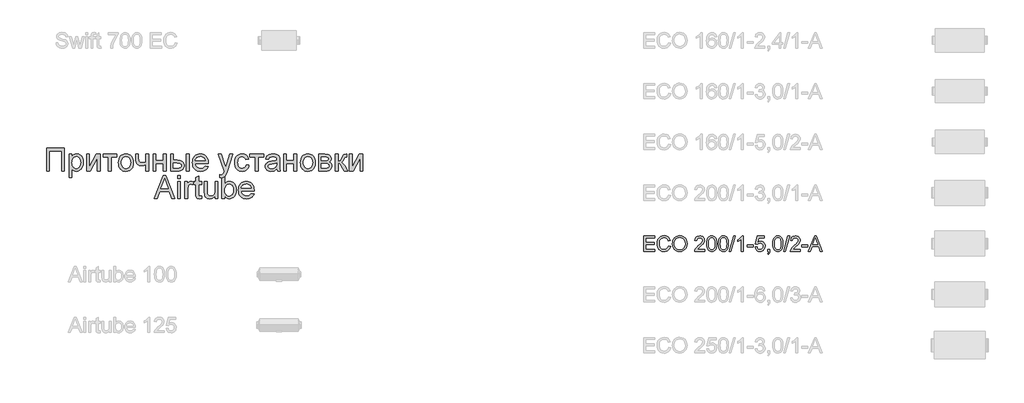
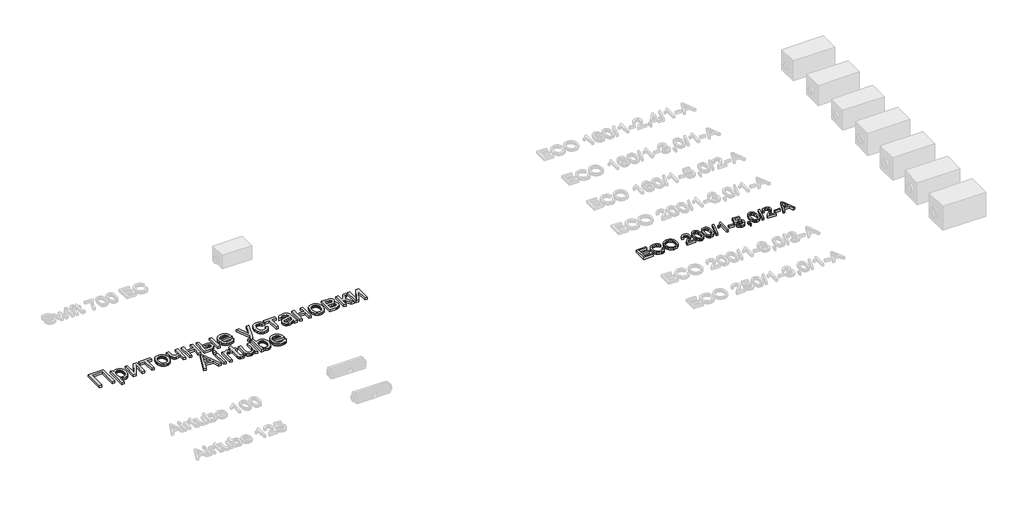
# One storey, part 32 of 74: 2 proxies.
"""IFC4 building model written with IfcOpenShell, lengths in millimetres."""

from ifc_helpers import new_model, si_unit, origin, origin_with_axes, place, context, project, spatial, polyline, outline, extrude, element, save

model = new_model("IFC4")

# Units and contexts
model_context = context("Model", 3, world=origin())
ifc_project = project(units=[si_unit("LENGTHUNIT", "METRE", prefix="MILLI")], contexts=[model_context])

# Site, building, storey
site = spatial("IfcSite", under=ifc_project)
building = spatial("IfcBuilding", under=site)
storey = spatial("IfcBuildingStorey", under=building, Elevation=0.0)

# Proxies
placement = place(None, origin())
element("IfcBuildingElementProxy", 1, Name="Generic Models", at=placement, inside=storey, context=model_context, shape_type="SweptSolid", body=[
    extrude(outline(polyline([(11765.719536, -8906.2904473), (11765.719536, -8604.9215169), (11982.3284547, -8604.9215169), (11982.3284547, -8642.5926332), (11803.3906523, -8642.5926332), (11803.3906523, -8732.0615344), (11972.9106757, -8732.0615344), (11972.9106757, -8769.7326507), (11803.3906523, -8769.7326507), (11803.3906523, -8868.619331), (11987.0373443, -8868.619331), (11987.0373443, -8906.2904473), (11765.719536, -8906.2904473)])), origin_with_axes(), (0.0, 0.0, 1.0), 50.0),
    extrude(outline(polyline([(12255.444048, -8799.1632103), (12293.1151643, -8808.875295), (12285.6609553, -8832.3024803), (12275.73274, -8852.7728141), (12263.3305182, -8870.2862963), (12248.4542901, -8884.842927), (12231.4397478, -8896.2863563), (12212.6225837, -8904.4602344), (12192.0027979, -8909.3645613), (12169.5803903, -8910.9993369), (12125.8852063, -8906.051324), (12091.1847371, -8891.2072855), (12064.5868689, -8866.9822562), (12045.1994877, -8833.8912707), (12033.3628845, -8794.9877497), (12029.4173501, -8753.3251137), (12033.8779193, -8709.3816094), (12047.2596269, -8671.4345816), (12068.8634971, -8640.6888439), (12097.990554, -8618.3492097), (12132.5346734, -8604.7467729), (12170.3897307, -8600.2126274), (12211.6936817, -8606.0803452), (12229.6624179, -8613.4149925), (12245.8423279, -8623.6834986), (12259.9666972, -8636.6145508), (12271.7688115, -8651.9368359), (12288.4062747, -8689.755105), (12250.7351584, -8698.7314257), (12237.6753476, -8671.2598377), (12219.8330708, -8652.4150825), (12196.9875989, -8641.5165784), (12168.9182027, -8637.8837437), (12136.5629812, -8641.9120515), (12109.9835071, -8653.996975), (12089.8143767, -8672.8693214), (12076.6901865, -8697.2598977), (12069.4888964, -8724.8326532), (12067.0884664, -8753.2515373), (12069.9303548, -8788.0531741), (12078.4560201, -8818.1459213), (12092.9873589, -8842.3801477), (12113.846268, -8859.6062222), (12138.8530466, -8869.897721), (12165.8279939, -8873.3282206), (12197.2727075, -8868.6561192), (12223.4751026, -8854.6398152), (12243.2579569, -8831.4264613), (12255.444048, -8799.1632103)])), origin_with_axes(), (0.0, 0.0, 1.0), 50.0),
    extrude(outline(polyline([(12330.7862806, -8759.5791077), (12333.2970752, -8724.2302465), (12340.829459, -8692.9372842), (12353.3834321, -8665.700221), (12370.9589944, -8642.5190568), (12392.5030838, -8624.0099939), (12416.9626379, -8610.7892347), (12444.3376569, -8602.8567792), (12474.6281407, -8600.2126274), (12514.1570611, -8605.1790343), (12549.6024913, -8620.0782551), (12579.0330509, -8643.8618261), (12600.5173594, -8675.4812836), (12613.6507467, -8713.4099173), (12618.0285424, -8756.1210169), (12613.4208204, -8799.4023336), (12599.5976544, -8837.8643962), (12577.3223996, -8869.539036), (12547.3584111, -8892.4580843), (12512.2164835, -8906.3640237), (12474.4074115, -8910.9993369), (12434.2714858, -8905.8765801), (12398.6237205, -8890.5083097), (12369.2667373, -8866.2832804), (12348.0031579, -8834.5902465), (12335.0904999, -8798.1239437), (12330.7862806, -8759.5791077)]), holes=[polyline([(12368.4573969, -8759.9469897), (12370.3404928, -8784.9215786), (12375.9897807, -8807.0910673), (12385.4052605, -8826.4554559), (12398.5869323, -8843.0147442), (12414.6104924, -8856.2768901), (12432.5516375, -8865.7498515), (12452.4103674, -8871.4336283), (12474.1866823, -8873.3282206), (12496.3354777, -8871.4152342), (12516.4287324, -8865.6762751), (12534.4664465, -8856.1113432), (12550.4486199, -8842.7204386), (12563.5337226, -8825.8116624), (12572.8802245, -8805.6931158), (12578.4881257, -8782.3647987), (12580.3574261, -8755.8267113), (12577.1568527, -8722.4782085), (12567.5551327, -8693.6546541), (12551.8005862, -8670.0826153), (12530.1415338, -8652.4886589), (12504.0127151, -8641.5349725), (12474.8488699, -8637.8837437), (12453.8290124, -8639.6426794), (12434.3266681, -8644.9194868), (12416.3418371, -8653.7141658), (12399.8745193, -8666.0267163), (12386.1295282, -8682.4503481), (12376.3116775, -8703.5782709), (12370.420967, -8729.4104848), (12368.4573969, -8759.9469897)])]), origin_with_axes(), (0.0, 0.0, 1.0), 50.0),
    extrude(outline(polyline([(12966.4863682, -8868.619331), (12966.4863682, -8906.2904473), (12768.7130076, -8906.2904473), (12772.7597096, -8880.3179785), (12782.04873, -8860.0200894), (12795.6419697, -8840.3292056), (12815.3052623, -8819.7186168), (12842.8044415, -8796.6616128), (12883.4554019, -8760.553995), (12907.8459782, -8733.9009444), (12920.0412663, -8712.2694831), (12924.1063624, -8691.226633), (12920.2711926, -8672.3634837), (12908.7656832, -8656.6825136), (12891.0797563, -8646.1151033), (12868.7033339, -8642.5926332), (12845.2048715, -8646.0323299), (12826.9487275, -8656.3514198), (12815.1673066, -8672.7405627), (12811.0930135, -8694.3904181), (12773.4218972, -8689.6815286), (12782.5545677, -8653.242817), (12791.1009263, -8638.7068796), (12802.3006338, -8626.6265546), (12815.8961728, -8617.1306006), (12831.6300259, -8610.3477763), (12869.5126743, -8604.9215169), (12889.7024981, -8606.4298331), (12907.6712343, -8610.9547816), (12923.4188829, -8618.4963625), (12936.945444, -8629.0545758), (12947.8094592, -8641.8476722), (12955.56947, -8656.0939024), (12960.2254765, -8671.7932666), (12961.7774787, -8688.9457646), (12960.1036156, -8706.9627853), (12955.0820264, -8724.6671063), (12946.1700851, -8742.67493), (12932.8251657, -8761.6024586), (12911.5523893, -8784.1996102), (12878.856877, -8813.2163026), (12835.520378, -8849.4526791), (12818.5242298, -8868.619331), (12966.4863682, -8868.619331)])), origin_with_axes(), (0.0, 0.0, 1.0), 50.0),
    extrude(outline(polyline([(13004.1574845, -8758.0340033), (13006.9257966, -8709.7954767), (13015.2307326, -8671.324217), (13028.9895192, -8642.0316132), (13048.119383, -8621.3290539), (13072.7582796, -8609.0234011), (13103.0441648, -8604.9215169), (13126.2575187, -8607.3495381), (13147.0428515, -8614.6336016), (13164.4252757, -8626.4885989), (13177.4299043, -8642.6294214), (13187.2523535, -8662.9181134), (13195.08824, -8687.2167192), (13200.2201939, -8718.0728216), (13201.9308451, -8758.0340033), (13199.1901243, -8805.9966184), (13190.9679617, -8844.3759076), (13177.2919485, -8873.6961026), (13158.1896759, -8894.4814353), (13133.495597, -8906.8698615), (13103.0441648, -8910.9993369), (13082.2956203, -8909.2059122), (13063.9015206, -8903.825638), (13047.8618656, -8894.8585143), (13034.1766553, -8882.3045413), (13021.0432681, -8859.6108207), (13011.6622772, -8831.3344908), (13006.0336827, -8797.4755517), (13004.1574845, -8758.0340033)]), holes=[polyline([(13041.8286008, -8757.9604269), (13046.2431848, -8817.2170193), (13051.7614147, -8837.4850179), (13059.4869366, -8851.5128183), (13079.2054116, -8867.87437), (13103.0441648, -8873.3282206), (13126.8829181, -8867.8559759), (13146.6013931, -8851.4392419), (13154.326915, -8837.3884489), (13159.8451449, -8817.1250488), (13164.2597288, -8757.9604269), (13159.9922977, -8700.0374067), (13154.6580088, -8679.8360867), (13147.1900043, -8665.4748933), (13127.5083175, -8648.3131982), (13102.6027065, -8642.5926332), (13079.0214706, -8647.6326165), (13060.0755478, -8662.7525665), (13052.0925085, -8678.3875513), (13046.3903376, -8699.4671897), (13041.8286008, -8757.9604269)])]), origin_with_axes(), (0.0, 0.0, 1.0), 50.0),
    extrude(outline(polyline([(13234.8930719, -8758.0340033), (13237.6613839, -8709.7954767), (13245.96632, -8671.324217), (13259.7251066, -8642.0316132), (13278.8549703, -8621.3290539), (13303.493867, -8609.0234011), (13333.7797522, -8604.9215169), (13356.9931061, -8607.3495381), (13377.7784388, -8614.6336016), (13395.1608631, -8626.4885989), (13408.1654916, -8642.6294214), (13417.9879409, -8662.9181134), (13425.8238274, -8687.2167192), (13430.9557812, -8718.0728216), (13432.6664325, -8758.0340033), (13429.9257117, -8805.9966184), (13421.7035491, -8844.3759076), (13408.0275359, -8873.6961026), (13388.9252633, -8894.4814353), (13364.2311844, -8906.8698615), (13333.7797522, -8910.9993369), (13313.0312077, -8909.2059122), (13294.6371079, -8903.825638), (13278.5974529, -8894.8585143), (13264.9122427, -8882.3045413), (13251.7788555, -8859.6108207), (13242.3978646, -8831.3344908), (13236.7692701, -8797.4755517), (13234.8930719, -8758.0340033)]), holes=[polyline([(13272.5641882, -8757.9604269), (13276.9787722, -8817.2170193), (13282.4970021, -8837.4850179), (13290.222524, -8851.5128183), (13309.9409989, -8867.87437), (13333.7797522, -8873.3282206), (13357.6185055, -8867.8559759), (13377.3369805, -8851.4392419), (13385.0625023, -8837.3884489), (13390.5807323, -8817.1250488), (13394.9953162, -8757.9604269), (13390.7278851, -8700.0374067), (13385.3935961, -8679.8360867), (13377.9255916, -8665.4748933), (13358.2439049, -8648.3131982), (13333.3382938, -8642.5926332), (13309.7570579, -8647.6326165), (13290.8111352, -8662.7525665), (13282.8280959, -8678.3875513), (13277.125925, -8699.4671897), (13272.5641882, -8757.9604269)])]), origin_with_axes(), (0.0, 0.0, 1.0), 50.0),
    extrude(outline(polyline([(13446.7931011, -8906.2904473), (13531.5531128, -8604.9215169), (13565.5454092, -8604.9215169), (13480.7853975, -8906.2904473), (13446.7931011, -8906.2904473)])), origin_with_axes(), (0.0, 0.0, 1.0), 50.0),
    extrude(outline(polyline([(13724.6175839, -8906.2904473), (13686.9464676, -8906.2904473), (13686.9464676, -8671.4345816), (13651.2619141, -8696.8552275), (13611.604235, -8715.8747266), (13611.604235, -8680.2637495), (13641.1911444, -8664.1689122), (13666.8233225, -8645.0206544), (13687.029241, -8624.6583859), (13700.3373722, -8604.9215169), (13724.6175839, -8604.9215169), (13724.6175839, -8906.2904473)])), origin_with_axes(), (0.0, 0.0, 1.0), 50.0),
    extrude(outline(polyline([(13804.668706, -8816.8215461), (13804.668706, -8779.1504298), (13922.3909445, -8779.1504298), (13922.3909445, -8816.8215461), (13804.668706, -8816.8215461)])), origin_with_axes(), (0.0, 0.0, 1.0), 50.0),
    extrude(outline(polyline([(13955.3531713, -8826.2393252), (13993.0242876, -8821.5304357), (13999.9404691, -8844.1459813), (14012.0069985, -8860.3419861), (14029.1686936, -8870.081662), (14051.370372, -8873.3282206), (14078.3729105, -8868.8124691), (14098.6064202, -8855.2652146), (14111.2431667, -8834.2499556), (14115.4554156, -8807.3301906), (14111.5098812, -8781.9831212), (14099.673278, -8762.59574), (14079.8536355, -8750.2900873), (14051.9589832, -8746.188203), (14033.6844451, -8747.8252779), (14018.8863918, -8752.7365026), (13997.7331771, -8769.7326507), (13960.0620608, -8765.0237612), (13993.0242876, -8609.6304064), (14138.9998633, -8609.6304064), (14138.9998633, -8647.3015227), (14023.4849168, -8647.3015227), (14007.3716854, -8730.2957008), (14034.2822533, -8713.9617403), (14062.4804083, -8708.5170867), (14080.8262235, -8710.2047454), (14097.6775182, -8715.2677213), (14113.0342922, -8723.7060146), (14126.8965456, -8735.5196252), (14138.3721646, -8749.9865846), (14146.5690353, -8766.3849246), (14151.4871577, -8784.714645), (14153.1265319, -8804.9757459), (14147.2220259, -8842.6468622), (14139.8413933, -8859.4406753), (14129.5085078, -8874.873325), (14113.8551289, -8890.6784552), (14095.5897878, -8901.9678339), (14074.7124846, -8908.7414611), (14051.2232192, -8910.9993369), (14014.2234876, -8905.1959984), (13998.5448168, -8897.9418253), (13984.7469427, -8887.785983), (13973.2667252, -8875.2343092), (13964.5410241, -8860.7926416), (13955.3531713, -8826.2393252)])), origin_with_axes(), (0.0, 0.0, 1.0), 50.0),
    extrude(outline(polyline([(14204.9243168, -8906.2904473), (14204.9243168, -8868.619331), (14242.5954331, -8868.619331), (14242.5954331, -8906.2904473), (14240.9031759, -8927.8391352), (14235.8264044, -8944.8076922), (14227.0708129, -8957.8215178), (14214.3420959, -8967.5060113), (14204.9243168, -8953.3793427), (14213.0912971, -8946.5551317), (14218.7566798, -8937.1189585), (14223.6862986, -8906.2904473), (14204.9243168, -8906.2904473)])), origin_with_axes(), (0.0, 0.0, 1.0), 50.0),
    extrude(outline(polyline([(14303.8109971, -8758.0340033), (14306.5793091, -8709.7954767), (14314.8842452, -8671.324217), (14328.6430318, -8642.0316132), (14347.7728955, -8621.3290539), (14372.4117922, -8609.0234011), (14402.6976774, -8604.9215169), (14425.9110313, -8607.3495381), (14446.696364, -8614.6336016), (14464.0787883, -8626.4885989), (14477.0834168, -8642.6294214), (14486.9058661, -8662.9181134), (14494.7417526, -8687.2167192), (14499.8737064, -8718.0728216), (14501.5843577, -8758.0340033), (14498.8436368, -8805.9966184), (14490.6214743, -8844.3759076), (14476.9454611, -8873.6961026), (14457.8431885, -8894.4814353), (14433.1491096, -8906.8698615), (14402.6976774, -8910.9993369), (14381.9491329, -8909.2059122), (14363.5550331, -8903.825638), (14347.5153781, -8894.8585143), (14333.8301679, -8882.3045413), (14320.6967807, -8859.6108207), (14311.3157898, -8831.3344908), (14305.6871953, -8797.4755517), (14303.8109971, -8758.0340033)]), holes=[polyline([(14341.4821134, -8757.9604269), (14345.8966974, -8817.2170193), (14351.4149273, -8837.4850179), (14359.1404492, -8851.5128183), (14378.8589241, -8867.87437), (14402.6976774, -8873.3282206), (14426.5364307, -8867.8559759), (14446.2549056, -8851.4392419), (14453.9804275, -8837.3884489), (14459.4986575, -8817.1250488), (14463.9132414, -8757.9604269), (14459.6458103, -8700.0374067), (14454.3115213, -8679.8360867), (14446.8435168, -8665.4748933), (14427.1618301, -8648.3131982), (14402.256219, -8642.5926332), (14378.6749831, -8647.6326165), (14359.7290604, -8662.7525665), (14351.7460211, -8678.3875513), (14346.0438501, -8699.4671897), (14341.4821134, -8757.9604269)])]), origin_with_axes(), (0.0, 0.0, 1.0), 50.0),
    extrude(outline(polyline([(14515.7110263, -8906.2904473), (14600.471038, -8604.9215169), (14634.4633344, -8604.9215169), (14549.7033227, -8906.2904473), (14515.7110263, -8906.2904473)])), origin_with_axes(), (0.0, 0.0, 1.0), 50.0),
    extrude(outline(polyline([(14845.333294, -8868.619331), (14845.333294, -8906.2904473), (14647.5599334, -8906.2904473), (14651.6066353, -8880.3179785), (14660.8956557, -8860.0200894), (14674.4888954, -8840.3292056), (14694.1521881, -8819.7186168), (14721.6513672, -8796.6616128), (14762.3023277, -8760.553995), (14786.692904, -8733.9009444), (14798.8881921, -8712.2694831), (14802.9532882, -8691.226633), (14799.1181184, -8672.3634837), (14787.612609, -8656.6825136), (14769.926682, -8646.1151033), (14747.5502597, -8642.5926332), (14724.0517972, -8646.0323299), (14705.7956532, -8656.3514198), (14694.0142323, -8672.7405627), (14689.9399392, -8694.3904181), (14652.2688229, -8689.6815286), (14661.4014935, -8653.242817), (14669.9478521, -8638.7068796), (14681.1475596, -8626.6265546), (14694.7430985, -8617.1306006), (14710.4769516, -8610.3477763), (14748.3596001, -8604.9215169), (14768.5494238, -8606.4298331), (14786.51816, -8610.9547816), (14802.2658087, -8618.4963625), (14815.7923698, -8629.0545758), (14826.656385, -8641.8476722), (14834.4163958, -8656.0939024), (14839.0724023, -8671.7932666), (14840.6244045, -8688.9457646), (14838.9505414, -8706.9627853), (14833.9289522, -8724.6671063), (14825.0170108, -8742.67493), (14811.6720914, -8761.6024586), (14790.3993151, -8784.1996102), (14757.7038028, -8813.2163026), (14714.3673037, -8849.4526791), (14697.3711555, -8868.619331), (14845.333294, -8868.619331)])), origin_with_axes(), (0.0, 0.0, 1.0), 50.0),
    extrude(outline(polyline([(14873.5866312, -8816.8215461), (14873.5866312, -8779.1504298), (14991.3088697, -8779.1504298), (14991.3088697, -8816.8215461), (14873.5866312, -8816.8215461)])), origin_with_axes(), (0.0, 0.0, 1.0), 50.0),
    extrude(outline(polyline([(15003.3018227, -8906.2904473), (15123.5992352, -8604.9215169), (15155.6785451, -8604.9215169), (15275.9759576, -8906.2904473), (15236.1711257, -8906.2904473), (15201.6637945, -8812.1126566), (15077.5404094, -8812.1126566), (15043.1066546, -8906.2904473), (15003.3018227, -8906.2904473)]), holes=[polyline([(15091.3727724, -8774.4415403), (15187.9050079, -8774.4415403), (15160.7553167, -8700.3501064), (15139.6388901, -8642.5926332), (15120.8769084, -8693.8753833), (15091.3727724, -8774.4415403)])]), origin_with_axes(), (0.0, 0.0, 1.0), 50.0),
])
element("IfcBuildingElementProxy", 2, Name="Generic Models", at=placement, inside=storey, context=model_context, shape_type="SweptSolid", body=[
    extrude(outline(polyline([(31.9197938, -6877.4716513), (383.2136554, -6877.4716513), (383.2136554, -7327.1277941), (327.0066376, -7327.1277941), (327.0066376, -6933.6786691), (88.1268117, -6933.6786691), (88.1268117, -7327.1277941), (31.9197938, -7327.1277941), (31.9197938, -6877.4716513)])), origin_with_axes(), (0.0, 0.0, 1.0), 50.0),
    extrude(outline(polyline([(474.5500594, -7453.5935843), (474.5500594, -6996.9115642), (530.7570773, -6996.9115642), (530.7570773, -7052.0207887), (549.0902257, -7024.8366817), (569.6189607, -7005.4194624), (593.550855, -6993.7691308), (622.0934813, -6989.885687), (660.1045749, -6995.3197639), (693.3402676, -7011.6219947), (720.4008729, -7037.8043653), (739.8867043, -7072.8788618), (751.6605376, -7114.2931147), (755.5851487, -7159.4947545), (751.1528082, -7207.5643794), (737.8557866, -7250.5567102), (716.1194789, -7286.2898827), (686.36928, -7312.5820326), (651.7201784, -7328.7607616), (615.2871627, -7334.1536713), (589.4478525, -7330.5446758), (566.3804704, -7319.7176892), (546.6339131, -7303.3742912), (530.7570773, -7283.2160614), (530.7570773, -7453.5935843), (474.5500594, -7453.5935843)]), holes=[polyline([(530.7570773, -7164.6543831), (532.2768349, -7191.7424332), (536.8361078, -7215.0430964), (544.4348959, -7234.5563726), (555.0731993, -7250.2822619), (567.8796444, -7262.3854332), (581.982858, -7271.0305556), (597.3828398, -7276.217629), (614.0795901, -7277.9466535), (631.0164826, -7276.1558781), (646.697774, -7270.7835521), (661.1234643, -7261.8296753), (674.2935535, -7249.2942479), (685.2680561, -7232.9988783), (693.1069865, -7212.7651752), (697.8103448, -7188.5931386), (699.3781308, -7160.4827685), (697.8480814, -7133.6279995), (693.2579331, -7110.3685036), (685.6076859, -7090.7042808), (674.8973399, -7074.6353311), (662.0600193, -7062.1479321), (648.0288484, -7053.2283614), (632.8038273, -7047.876619), (616.384956, -7046.0927048), (600.0175438, -7047.9898289), (584.6175619, -7053.6812011), (570.1850104, -7063.1668215), (556.7198892, -7076.4466901), (545.361159, -7093.3424153), (537.2477803, -7113.6756059), (532.379753, -7137.4462619), (530.7570773, -7164.6543831)])]), origin_with_axes(), (0.0, 0.0, 1.0), 50.0),
    extrude(outline(polyline([(818.8180438, -6996.9115642), (875.0250616, -6996.9115642), (875.0250616, -7248.7453512), (1013.127461, -6996.9115642), (1085.8013786, -6996.9115642), (1085.8013786, -7327.1277941), (1029.5943607, -7327.1277941), (1029.5943607, -7076.8309177), (892.370196, -7327.1277941), (818.8180438, -7327.1277941), (818.8180438, -6996.9115642)])), origin_with_axes(), (0.0, 0.0, 1.0), 50.0),
    extrude(outline(polyline([(1142.0083964, -6996.9115642), (1408.9917312, -6996.9115642), (1408.9917312, -7053.1185821), (1303.6035727, -7053.1185821), (1303.6035727, -7327.1277941), (1247.3965549, -7327.1277941), (1247.3965549, -7053.1185821), (1142.0083964, -7053.1185821), (1142.0083964, -6996.9115642)])), origin_with_axes(), (0.0, 0.0, 1.0), 50.0),
    extrude(outline(polyline([(1444.1211174, -7162.0196791), (1447.1606326, -7119.2537682), (1456.2791784, -7082.4022188), (1471.4767546, -7051.4650309), (1492.7533613, -7026.4422044), (1514.1740534, -7010.4487281), (1537.817777, -6999.0248163), (1563.6845321, -6992.1704693), (1591.7743186, -6989.885687), (1622.7835492, -6992.6679069), (1650.8218766, -7001.0145667), (1675.8893009, -7014.9256664), (1697.985822, -7034.401206), (1716.0205079, -7058.7825095), (1728.9024263, -7087.4109008), (1736.6315774, -7120.2863801), (1739.2079611, -7157.4089472), (1734.6521188, -7214.1923066), (1728.957316, -7237.4998309), (1720.984592, -7257.4179184), (1698.6033308, -7289.7890989), (1667.9062851, -7314.0091639), (1631.4458246, -7329.1175445), (1591.7743186, -7334.1536713), (1560.3122482, -7331.3817432), (1532.0131949, -7323.0659588), (1506.8771585, -7309.2063182), (1484.9041391, -7289.8028213), (1467.0615671, -7265.1848062), (1454.3168728, -7235.6816107), (1446.6700562, -7201.2932351), (1444.1211174, -7162.0196791)]), holes=[polyline([(1500.3281352, -7161.9098998), (1501.9542416, -7189.1729107), (1506.8325606, -7212.7788977), (1514.9630924, -7232.7278606), (1526.3458369, -7249.0197996), (1540.1917551, -7261.6752981), (1555.7118081, -7270.71494), (1572.9059959, -7276.1387251), (1591.7743186, -7277.9466535), (1610.5465843, -7276.1284333), (1627.6721601, -7270.6737727), (1643.1510458, -7261.5826718), (1656.9832416, -7248.8551306), (1668.3659861, -7232.4019532), (1676.4965178, -7212.1339441), (1681.3748369, -7188.0511032), (1683.0009433, -7160.1534305), (1681.3645451, -7133.7549318), (1676.4553506, -7110.7664536), (1668.2733598, -7091.1879959), (1656.8185726, -7075.0195587), (1642.9349178, -7062.3640602), (1627.4663238, -7053.3244183), (1610.4127907, -7047.9006332), (1591.7743186, -7046.0927048), (1572.9059959, -7047.893772), (1555.7118081, -7053.2969735), (1540.1917551, -7062.3023093), (1526.3458369, -7074.9097794), (1514.9630924, -7091.1536899), (1506.8325606, -7111.0683468), (1501.9542416, -7134.6537501), (1500.3281352, -7161.9098998)])]), origin_with_axes(), (0.0, 0.0, 1.0), 50.0),
    extrude(outline(polyline([(1781.3632245, -6996.9115642), (1837.5702423, -6996.9115642), (1837.5702423, -7060.2542386), (1842.1260846, -7119.6448571), (1849.8792499, -7136.907657), (1864.0270613, -7151.8102013), (1883.5677823, -7162.1020136), (1907.4996767, -7165.5326178), (1941.8880523, -7161.2786687), (1985.1136642, -7148.5168213), (1985.1136642, -6996.9115642), (2041.3206821, -6996.9115642), (2041.3206821, -7327.1277941), (1985.1136642, -7327.1277941), (1985.1136642, -7202.4184732), (1937.1400962, -7216.909345), (1892.4599082, -7221.7396356), (1858.4694826, -7216.7035088), (1828.7330061, -7201.5951282), (1805.5558447, -7179.1864221), (1791.2433643, -7152.2493186), (1783.8332595, -7121.5934402), (1781.3632245, -7088.0284096), (1781.3632245, -6996.9115642)])), origin_with_axes(), (0.0, 0.0, 1.0), 50.0),
    extrude(outline(polyline([(2125.6312088, -6996.9115642), (2181.8382267, -6996.9115642), (2181.8382267, -7123.3773544), (2329.3816486, -7123.3773544), (2329.3816486, -6996.9115642), (2385.5886664, -6996.9115642), (2385.5886664, -7327.1277941), (2329.3816486, -7327.1277941), (2329.3816486, -7179.5843722), (2181.8382267, -7179.5843722), (2181.8382267, -7327.1277941), (2125.6312088, -7327.1277941), (2125.6312088, -6996.9115642)])), origin_with_axes(), (0.0, 0.0, 1.0), 50.0),
    extrude(outline(polyline([(2469.8991932, -6996.9115642), (2526.106211, -6996.9115642), (2526.106211, -7116.3514771), (2595.596528, -7116.3514771), (2627.573189, -7118.1113771), (2655.6595449, -7123.3910768), (2679.8555957, -7132.1905763), (2700.1613415, -7144.5098757), (2716.2268606, -7159.92358), (2727.7022314, -7178.0062943), (2734.5874538, -7198.7580186), (2736.882528, -7222.1787529), (2734.9579591, -7243.0745626), (2729.1842523, -7262.3991556), (2719.5614078, -7280.1525319), (2706.0894254, -7296.3346915), (2688.3909388, -7309.8066739), (2666.0885814, -7319.4295184), (2639.1823533, -7325.2032252), (2607.6722545, -7327.1277941), (2469.8991932, -7327.1277941), (2469.8991932, -6996.9115642)]), holes=[polyline([(2526.106211, -7270.9207762), (2583.8501395, -7270.9207762), (2628.612662, -7267.9704567), (2658.3903058, -7259.1194981), (2675.104209, -7244.0111175), (2680.6755101, -7222.2885323), (2676.5450628, -7203.927939), (2664.1537207, -7187.7080428), (2653.3987768, -7181.0801156), (2637.6557345, -7176.3458819), (2591.2053548, -7172.558495), (2526.106211, -7172.558495), (2526.106211, -7270.9207762)])]), origin_with_axes(), (0.0, 0.0, 1.0), 50.0),
    extrude(outline(polyline([(2779.0377914, -6996.9115642), (2835.2448092, -6996.9115642), (2835.2448092, -7327.1277941), (2779.0377914, -7327.1277941), (2779.0377914, -6996.9115642)])), origin_with_axes(), (0.0, 0.0, 1.0), 50.0),
    extrude(outline(polyline([(3150.7506086, -7228.7655128), (3205.8598332, -7235.7913901), (3197.4102552, -7257.863897), (3186.0034966, -7277.3154223), (3171.6395571, -7294.1459661), (3154.3184369, -7308.3555284), (3134.2185274, -7319.6422159), (3111.51822, -7327.7041356), (3086.2175146, -7332.5412874), (3058.3164113, -7334.1536713), (3023.4408899, -7331.3714514), (2992.3664778, -7323.0247916), (2965.093175, -7309.1136919), (2941.6209817, -7289.6381523), (2922.7457978, -7265.1402083), (2909.2635236, -7236.1618953), (2901.1741591, -7202.7032134), (2898.4777043, -7164.7641624), (2901.201604, -7125.538635), (2909.373303, -7090.9650067), (2922.9928013, -7061.0432776), (2942.060099, -7035.7734476), (2965.4705415, -7015.6975524), (2992.1194743, -7001.3576271), (3022.0068973, -6992.753672), (3055.1328107, -6989.885687), (3087.1918062, -6992.7468108), (3116.1838416, -7001.3301823), (3142.1089169, -7015.6358015), (3164.9670321, -7035.6636683), (3183.6260879, -7060.8786086), (3196.9539849, -7090.745448), (3204.9507231, -7125.2641866), (3207.6163025, -7164.4348244), (3207.2869645, -7179.5843722), (2954.6847222, -7179.5843722), (2957.9403655, -7202.0136619), (2964.4139154, -7221.6573011), (2974.1053721, -7238.5152897), (2987.0147354, -7252.5876278), (3002.4284397, -7263.6822015), (3019.6329193, -7271.6068971), (3038.6281743, -7276.3617144), (3059.4142046, -7277.9466535), (3089.3290725, -7275.0100563), (3114.5234292, -7266.200265), (3134.9972745, -7250.9683827), (3150.7506086, -7228.7655128)]), holes=[polyline([(2954.6847222, -7123.3773544), (3151.4092846, -7123.3773544), (3143.8070659, -7093.6820451), (3128.9045216, -7072.4397444), (3113.5765824, -7060.9129146), (3096.1353911, -7052.6794647), (3076.5809476, -7047.7393948), (3054.913252, -7046.0927048), (3017.0256602, -7051.3483903), (2985.6973834, -7067.1154469), (2973.2408598, -7078.5153443), (2963.9199084, -7091.6922947), (2957.7345292, -7106.6462981), (2954.6847222, -7123.3773544)])]), origin_with_axes(), (0.0, 0.0, 1.0), 50.0),
    extrude(outline(polyline([(3439.4702511, -7453.5935843), (3432.4443739, -7399.4723737), (3460.9870002, -7404.4124436), (3475.9993238, -7402.8618106), (3487.6633778, -7398.2099114), (3504.0204982, -7380.9196666), (3519.3896046, -7339.5328586), (3523.7807779, -7325.9202214), (3404.340865, -6996.9115642), (3463.6217041, -6996.9115642), (3526.9643785, -7180.2430482), (3549.0300242, -7253.5756418), (3571.0956699, -7188.8058361), (3636.1948136, -6996.9115642), (3695.0365354, -6996.9115642), (3580.0975751, -7335.031906), (3550.2375969, -7408.3644996), (3534.9508249, -7431.7749421), (3517.6331353, -7447.9948383), (3497.5160728, -7457.4633057), (3473.831182, -7460.6194615), (3439.4702511, -7453.5935843)])), origin_with_axes(), (0.0, 0.0, 1.0), 50.0),
    extrude(outline(polyline([(3952.359289, -7207.6878812), (4008.5663069, -7214.7137584), (4002.4529703, -7241.2357588), (3992.8953073, -7264.7045216), (3979.8933177, -7285.1200467), (3963.4470015, -7302.4823341), (3944.2493409, -7316.3385441), (3922.9933178, -7326.235837), (3899.6789322, -7332.1742127), (3874.3061842, -7334.1536713), (3842.7823629, -7331.392035), (3814.5176156, -7323.1071261), (3789.5119422, -7309.2989445), (3767.7653427, -7289.9674903), (3750.162913, -7265.4764075), (3737.5897489, -7236.1893402), (3730.0458504, -7202.1062883), (3727.5312176, -7163.2272518), (3731.826334, -7113.2090438), (3744.711683, -7069.8599301), (3754.4271539, -7051.1048174), (3766.3931011, -7034.8540457), (3780.6095245, -7021.107615), (3797.0764243, -7009.8655254), (3833.7838883, -6994.8806466), (3873.5377288, -6989.885687), (3898.4747902, -6991.600989), (3921.0310122, -6996.7468952), (3941.206395, -7005.3234055), (3959.0009386, -7017.3305199), (3974.1127497, -7032.4937901), (3986.2399353, -7050.5387678), (3995.3824953, -7071.4654529), (4001.5404297, -7095.2738454), (3945.3334118, -7102.2997227), (3935.1376564, -7077.7777645), (3919.2608205, -7060.199349), (3898.5811389, -7049.6193659), (3873.9768462, -7046.0927048), (3854.878673, -7047.8285905), (3837.6536098, -7053.0362476), (3822.3016564, -7061.715676), (3808.8228128, -7073.8668758), (3797.8483102, -7089.7711564), (3790.0093798, -7109.7098276), (3785.3060216, -7133.6828891), (3783.7382355, -7161.6903412), (3785.2717155, -7190.1197575), (3789.8721556, -7214.370698), (3797.5395558, -7234.4431627), (3808.2739161, -7250.3371515), (3821.4851726, -7262.4163086), (3836.5832613, -7271.044278), (3853.5681823, -7276.2210596), (3872.4399355, -7277.9466535), (3901.5451809, -7273.6378147), (3925.4084631, -7260.7112984), (3942.7673199, -7238.8377665), (3952.359289, -7207.6878812)])), origin_with_axes(), (0.0, 0.0, 1.0), 50.0),
    extrude(outline(polyline([(4029.6439386, -6996.9115642), (4296.6272734, -6996.9115642), (4296.6272734, -7053.1185821), (4191.2391149, -7053.1185821), (4191.2391149, -7327.1277941), (4135.0320971, -7327.1277941), (4135.0320971, -7053.1185821), (4029.6439386, -7053.1185821), (4029.6439386, -6996.9115642)])), origin_with_axes(), (0.0, 0.0, 1.0), 50.0),
    extrude(outline(polyline([(4556.5847309, -7284.9725307), (4529.7299619, -7307.9987455), (4502.0792927, -7323.0659588), (4473.0014922, -7331.3817432), (4441.8653293, -7334.1536713), (4416.8390722, -7332.4863977), (4394.8934977, -7327.4845769), (4376.0286057, -7319.1482089), (4360.2443961, -7307.4772937), (4347.7810114, -7293.2128418), (4338.8785937, -7277.0958636), (4333.5371431, -7259.1263593), (4331.7566595, -7239.3043287), (4334.4462532, -7216.0036655), (4342.515034, -7194.8436993), (4354.9612658, -7176.7301096), (4370.783212, -7162.5685758), (4389.3770863, -7151.865091), (4410.1391024, -7144.1256481), (4458.7713464, -7135.6726395), (4516.2408265, -7126.7805137), (4556.2553929, -7116.3514771), (4556.5847309, -7103.8366333), (4552.7150095, -7078.752056), (4541.1058452, -7062.3400459), (4515.1430332, -7050.1545401), (4478.9707434, -7046.0927048), (4445.4880472, -7048.7960209), (4422.1050496, -7056.905969), (4406.1596016, -7071.9045702), (4394.9895546, -7095.2738454), (4338.7825368, -7088.2479682), (4348.5391749, -7057.5097553), (4363.0986587, -7033.3583023), (4383.8195076, -7014.8879298), (4412.0602407, -7001.1929581), (4446.599563, -6992.7125048), (4486.2161793, -6989.885687), (4524.2135505, -6992.3831668), (4554.3342546, -6999.8756062), (4577.0448539, -7011.1417101), (4592.8119104, -7024.9601835), (4603.2683918, -7042.044592), (4610.0472655, -7063.1085012), (4612.7917488, -7112.2896419), (4612.7917488, -7182.2190762), (4615.6460114, -7279.8677918), (4626.8435033, -7327.1277941), (4570.6364854, -7327.1277941), (4561.6345802, -7307.587073), (4556.5847309, -7284.9725307)]), holes=[polyline([(4556.5847309, -7172.558495), (4518.8206408, -7181.917183), (4465.9070029, -7189.7938501), (4417.5492073, -7198.9055346), (4404.9657514, -7205.1355117), (4395.6482306, -7213.7257444), (4389.8848157, -7224.0175567), (4387.9636774, -7235.3522728), (4392.1490144, -7252.066176), (4404.7050255, -7265.7611476), (4425.3572623, -7274.900277), (4453.8312764, -7277.9466535), (4484.0205927, -7274.5846614), (4510.6969703, -7264.4986853), (4532.3234986, -7249.6373083), (4547.3632671, -7231.9491135), (4554.0323615, -7213.7257444), (4556.2553929, -7188.4764981), (4556.5847309, -7172.558495)])]), origin_with_axes(), (0.0, 0.0, 1.0), 50.0),
    extrude(outline(polyline([(4690.0763983, -6996.9115642), (4746.2834162, -6996.9115642), (4746.2834162, -7123.3773544), (4893.8268381, -7123.3773544), (4893.8268381, -6996.9115642), (4950.0338559, -6996.9115642), (4950.0338559, -7327.1277941), (4893.8268381, -7327.1277941), (4893.8268381, -7179.5843722), (4746.2834162, -7179.5843722), (4746.2834162, -7327.1277941), (4690.0763983, -7327.1277941), (4690.0763983, -6996.9115642)])), origin_with_axes(), (0.0, 0.0, 1.0), 50.0),
    extrude(outline(polyline([(5020.2926282, -7162.0196791), (5023.3321435, -7119.2537682), (5032.4506892, -7082.4022188), (5047.6482655, -7051.4650309), (5068.9248722, -7026.4422044), (5090.3455643, -7010.4487281), (5113.9892879, -6999.0248163), (5139.8560429, -6992.1704693), (5167.9458294, -6989.885687), (5198.95506, -6992.6679069), (5226.9933875, -7001.0145667), (5252.0608118, -7014.9256664), (5274.1573329, -7034.401206), (5292.1920187, -7058.7825095), (5305.0739372, -7087.4109008), (5312.8030883, -7120.2863801), (5315.3794719, -7157.4089472), (5310.8236297, -7214.1923066), (5305.1288268, -7237.4998309), (5297.1561029, -7257.4179184), (5274.7748416, -7289.7890989), (5244.077796, -7314.0091639), (5207.6173354, -7329.1175445), (5167.9458294, -7334.1536713), (5136.4837591, -7331.3817432), (5108.1847057, -7323.0659588), (5083.0486693, -7309.2063182), (5061.07565, -7289.8028213), (5043.233078, -7265.1848062), (5030.4883837, -7235.6816107), (5022.8415671, -7201.2932351), (5020.2926282, -7162.0196791)]), holes=[polyline([(5076.4996461, -7161.9098998), (5078.1257524, -7189.1729107), (5083.0040715, -7212.7788977), (5091.1346032, -7232.7278606), (5102.5173477, -7249.0197996), (5116.3632659, -7261.6752981), (5131.8833189, -7270.71494), (5149.0775068, -7276.1387251), (5167.9458294, -7277.9466535), (5186.7180951, -7276.1284333), (5203.8436709, -7270.6737727), (5219.3225567, -7261.5826718), (5233.1547525, -7248.8551306), (5244.5374969, -7232.4019532), (5252.6680287, -7212.1339441), (5257.5463477, -7188.0511032), (5259.1724541, -7160.1534305), (5257.5360559, -7133.7549318), (5252.6268614, -7110.7664536), (5244.4448706, -7091.1879959), (5232.9900835, -7075.0195587), (5219.1064286, -7062.3640602), (5203.6378346, -7053.3244183), (5186.5843016, -7047.9006332), (5167.9458294, -7046.0927048), (5149.0775068, -7047.893772), (5131.8833189, -7053.2969735), (5116.3632659, -7062.3023093), (5102.5173477, -7074.9097794), (5091.1346032, -7091.1536899), (5083.0040715, -7111.0683468), (5078.1257524, -7134.6537501), (5076.4996461, -7161.9098998)])]), origin_with_axes(), (0.0, 0.0, 1.0), 50.0),
    extrude(outline(polyline([(5378.612367, -6996.9115642), (5502.4434532, -6996.9115642), (5542.2521834, -6998.7915353), (5570.3419699, -7004.4314484), (5591.0079291, -7015.0800436), (5608.5451774, -7031.9860607), (5620.5248469, -7054.0105391), (5624.5180701, -7080.0145183), (5622.1029248, -7100.9686483), (5614.8574889, -7119.0410708), (5602.7543176, -7134.3141203), (5585.765966, -7146.8701314), (5606.5691494, -7158.5479078), (5623.5300561, -7177.3338959), (5634.8098825, -7201.7460748), (5638.5698246, -7230.3024235), (5635.4479749, -7253.3080547), (5629.0464676, -7273.1438077), (5619.3653028, -7289.8096825), (5606.4044804, -7303.3056791), (5590.1434169, -7313.7278544), (5570.5615286, -7321.1722653), (5547.6588155, -7325.6389119), (5521.4352776, -7327.1277941), (5378.612367, -7327.1277941), (5378.612367, -6996.9115642)]), holes=[polyline([(5434.8193849, -7123.3773544), (5490.3677267, -7123.3773544), (5536.2005977, -7120.5230917), (5558.4858021, -7109.1060412), (5565.8547397, -7099.6650187), (5568.3110523, -7088.4675269), (5564.0022135, -7071.698734), (5551.0756972, -7060.9129146), (5527.7201444, -7055.0671652), (5492.1241961, -7053.1185821), (5434.8193849, -7053.1185821), (5434.8193849, -7123.3773544)]), polyline([(5434.8193849, -7270.9207762), (5503.7608052, -7270.9207762), (5541.3327815, -7268.3821292), (5564.907893, -7260.766188), (5577.559961, -7246.9202698), (5582.3628067, -7225.6916916), (5579.9613839, -7211.6262147), (5572.7571152, -7198.6310863), (5561.6968475, -7188.4627757), (5547.7274276, -7182.8777522), (5498.2718386, -7179.5843722), (5434.8193849, -7179.5843722), (5434.8193849, -7270.9207762)])]), origin_with_axes(), (0.0, 0.0, 1.0), 50.0),
    extrude(outline(polyline([(5708.8285969, -6996.9115642), (5765.0356148, -6996.9115642), (5765.0356148, -7137.4291088), (5787.8971606, -7134.9041842), (5802.6899256, -7127.3294103), (5815.7811109, -7107.5691306), (5833.5379178, -7068.4876885), (5847.8503981, -7036.5281805), (5859.1713917, -7017.7147476), (5869.7376524, -7007.4641025), (5881.7859341, -7001.1929581), (5922.8982938, -6996.9115642), (5933.6566683, -6996.9115642), (5933.6566683, -7053.4479201), (5918.5071205, -7053.1185821), (5900.9424275, -7054.600603), (5891.0622876, -7059.046666), (5871.7411252, -7096.0423008), (5859.871235, -7120.7014832), (5849.0716932, -7136.0568672), (5835.9942303, -7146.3075123), (5817.2905767, -7155.6524779), (5835.1022732, -7163.563451), (5852.7493008, -7177.5260098), (5870.2316594, -7197.5401542), (5887.549349, -7223.6058843), (5947.7084228, -7327.1277941), (5883.8168517, -7327.1277941), (5824.8653506, -7225.8014709), (5808.9473475, -7198.8369225), (5795.224931, -7182.9326418), (5781.3652904, -7175.1520317), (5765.0356148, -7172.558495), (5765.0356148, -7327.1277941), (5708.8285969, -7327.1277941), (5708.8285969, -6996.9115642)])), origin_with_axes(), (0.0, 0.0, 1.0), 50.0),
    extrude(outline(polyline([(5982.8378089, -6996.9115642), (6039.0448268, -6996.9115642), (6039.0448268, -7248.7453512), (6177.1472261, -6996.9115642), (6249.8211437, -6996.9115642), (6249.8211437, -7327.1277941), (6193.6141259, -7327.1277941), (6193.6141259, -7076.8309177), (6056.3899612, -7327.1277941), (5982.8378089, -7327.1277941), (5982.8378089, -6996.9115642)])), origin_with_axes(), (0.0, 0.0, 1.0), 50.0),
    extrude(outline(polyline([(2147.0381785, -7867.5598773), (2326.5273859, -7417.9037344), (2374.3911746, -7417.9037344), (2553.880382, -7867.5598773), (2494.4897635, -7867.5598773), (2443.0032569, -7727.0423326), (2257.8055243, -7727.0423326), (2206.428797, -7867.5598773), (2147.0381785, -7867.5598773)]), holes=[polyline([(2278.4440386, -7670.8353148), (2422.4745219, -7670.8353148), (2381.9659485, -7560.2875277), (2350.4592802, -7474.1107523), (2322.4655507, -7550.6269465), (2278.4440386, -7670.8353148)])]), origin_with_axes(), (0.0, 0.0, 1.0), 50.0),
    extrude(outline(polyline([(2606.9037992, -7474.1107523), (2606.9037992, -7417.9037344), (2663.110817, -7417.9037344), (2663.110817, -7474.1107523), (2606.9037992, -7474.1107523)])), origin_with_axes(), (0.0, 0.0, 1.0), 50.0),
    extrude(outline(polyline([(2606.9037992, -7867.5598773), (2606.9037992, -7537.3436474), (2663.110817, -7537.3436474), (2663.110817, -7867.5598773), (2606.9037992, -7867.5598773)])), origin_with_axes(), (0.0, 0.0, 1.0), 50.0),
    extrude(outline(polyline([(2747.4213438, -7867.5598773), (2747.4213438, -7537.3436474), (2796.6024844, -7537.3436474), (2796.6024844, -7586.19545), (2814.7709639, -7557.8723824), (2831.5123119, -7541.185924), (2848.3085497, -7533.0348086), (2866.6416981, -7530.3177702), (2894.6354277, -7534.6540538), (2923.0682746, -7547.6629046), (2904.2960089, -7598.0516178), (2884.5357292, -7589.4064955), (2864.7754495, -7586.524788), (2847.9929341, -7589.2967161), (2832.9943329, -7597.6125005), (2820.8774392, -7610.84091), (2812.7400462, -7628.3507134), (2805.9062828, -7659.7476023), (2803.6283617, -7693.9987538), (2803.6283617, -7867.5598773), (2747.4213438, -7867.5598773)])), origin_with_axes(), (0.0, 0.0, 1.0), 50.0),
    extrude(outline(polyline([(3077.6375737, -7820.6841026), (3084.6634509, -7869.2065672), (3042.6179669, -7874.5857545), (3015.6396961, -7872.2529437), (2995.5226336, -7865.2545113), (2981.3062101, -7854.468692), (2972.0298566, -7840.7737203), (2966.9251176, -7817.2534985), (2965.223538, -7776.9919286), (2965.223538, -7593.5506652), (2923.0682746, -7593.5506652), (2923.0682746, -7537.3436474), (2965.223538, -7537.3436474), (2965.223538, -7457.0949559), (3021.4305559, -7424.051377), (3021.4305559, -7537.3436474), (3077.6375737, -7537.3436474), (3077.6375737, -7593.5506652), (3021.4305559, -7593.5506652), (3021.4305559, -7775.3452386), (3024.3945978, -7804.3269822), (3034.0002893, -7814.5913497), (3053.1567827, -7818.3787366), (3077.6375737, -7820.6841026)])), origin_with_axes(), (0.0, 0.0, 1.0), 50.0),
    extrude(outline(polyline([(3344.6209085, -7867.5598773), (3344.6209085, -7810.8039628), (3324.2842873, -7838.7084966), (3300.5993965, -7858.6403066), (3273.566236, -7870.5993925), (3243.184806, -7874.5857545), (3215.8085851, -7871.7863815), (3190.3260577, -7863.3882627), (3168.9465329, -7850.7636395), (3153.8793196, -7835.2847537), (3143.7384538, -7816.4850432), (3137.1379715, -7793.8979457), (3133.8445916, -7741.6429838), (3133.8445916, -7537.3436474), (3190.0516094, -7537.3436474), (3190.0516094, -7715.1861648), (3193.4547687, -7772.490976), (3201.6470513, -7791.6063021), (3215.6850834, -7806.1383412), (3234.6357405, -7815.3186378), (3257.5658984, -7818.3787366), (3281.8134083, -7815.2500257), (3304.4965628, -7805.8638928), (3323.2002164, -7791.0848503), (3335.509224, -7771.7774103), (3342.3429874, -7745.3343138), (3344.6209085, -7709.1483016), (3344.6209085, -7537.3436474), (3400.8279264, -7537.3436474), (3400.8279264, -7867.5598773), (3344.6209085, -7867.5598773)])), origin_with_axes(), (0.0, 0.0, 1.0), 50.0),
    extrude(outline(polyline([(3534.3195938, -7867.5598773), (3478.1125759, -7867.5598773), (3478.1125759, -7417.9037344), (3534.3195938, -7417.9037344), (3534.3195938, -7584.6585394), (3552.8036887, -7560.8844528), (3573.6754842, -7543.9029625), (3596.9349801, -7533.7140682), (3622.5821765, -7530.3177702), (3651.5364752, -7533.377869), (3678.8989737, -7542.5581656), (3703.1053163, -7557.2823185), (3722.5911477, -7576.9739861), (3737.8641972, -7601.4410547), (3749.4321943, -7630.4914104), (3756.7187975, -7662.9174805), (3759.1476652, -7697.5116924), (3756.6330323, -7737.4302019), (3749.0891339, -7772.5458656), (3736.5159698, -7802.8586836), (3718.9135401, -7828.3686558), (3697.7844493, -7848.5886365), (3674.6313021, -7863.0314798), (3649.4540985, -7871.6971858), (3622.2528385, -7874.5857545), (3595.7617135, -7870.8601184), (3572.2757977, -7859.6832102), (3551.7950911, -7841.0550299), (3534.3195938, -7814.9755774), (3534.3195938, -7867.5598773)]), holes=[polyline([(3534.3195938, -7700.1463964), (3538.1618704, -7747.022171), (3549.6887002, -7778.7483979), (3563.3081985, -7796.0866711), (3579.1370059, -7808.471152), (3597.1751224, -7815.9018405), (3617.4225479, -7818.3787366), (3634.2325081, -7816.5536553), (3649.8623404, -7811.0784111), (3664.312045, -7801.9530041), (3677.5816217, -7789.1774344), (3688.6761954, -7772.7860079), (3696.6008909, -7752.8130308), (3701.3557082, -7729.2585029), (3702.9406473, -7702.1224243), (3701.4208897, -7674.4717551), (3696.8616168, -7650.6908074), (3689.2628287, -7630.7795811), (3678.6245253, -7614.7380763), (3665.8318026, -7602.3947626), (3651.7697563, -7593.5781101), (3636.4383865, -7588.2881185), (3619.8376932, -7586.524788), (3603.027733, -7588.3498694), (3587.3979007, -7593.8251136), (3572.9481961, -7602.9505205), (3559.6786194, -7615.7260902), (3548.5840457, -7631.9528477), (3540.6593502, -7651.4318179), (3535.9045329, -7674.1630008), (3534.3195938, -7700.1463964)])]), origin_with_axes(), (0.0, 0.0, 1.0), 50.0),
    extrude(outline(polyline([(4053.5758329, -7769.197596), (4108.6850574, -7776.2234733), (4100.2354795, -7798.2959801), (4088.8287208, -7817.7475055), (4074.4647814, -7834.5780493), (4057.1436612, -7848.7876115), (4037.0437517, -7860.0742991), (4014.3434442, -7868.1362188), (3989.0427389, -7872.9733706), (3961.1416356, -7874.5857545), (3926.2661141, -7871.8035346), (3895.191702, -7863.4568747), (3867.9183993, -7849.545775), (3844.4462059, -7830.0702355), (3825.5710221, -7805.5722915), (3812.0887479, -7776.5939785), (3803.9993834, -7743.1352965), (3801.3029286, -7705.1962456), (3804.0268282, -7665.9707181), (3812.1985272, -7631.3970899), (3825.8180256, -7601.4753607), (3844.8853233, -7576.2055308), (3868.2957658, -7556.1296355), (3894.9446985, -7541.7897103), (3924.8321216, -7533.1857552), (3957.958035, -7530.3177702), (3990.0170304, -7533.178894), (4019.0090658, -7541.7622655), (4044.9341411, -7556.0678847), (4067.7922564, -7576.0957515), (4086.4513122, -7601.3106917), (4099.7792091, -7631.1775312), (4107.7759473, -7665.6962698), (4110.4415267, -7704.8669076), (4110.1121887, -7720.0164554), (3857.5099464, -7720.0164554), (3860.7655897, -7742.4457451), (3867.2391397, -7762.0893843), (3876.9305963, -7778.9473729), (3889.8399596, -7793.019711), (3905.2536639, -7804.1142847), (3922.4581435, -7812.0389802), (3941.4533985, -7816.7937975), (3962.2394289, -7818.3787366), (3992.1542968, -7815.4421395), (4017.3486534, -7806.6323481), (4037.8224988, -7791.4004659), (4053.5758329, -7769.197596)]), holes=[polyline([(3857.5099464, -7663.8094376), (4054.2345089, -7663.8094376), (4046.6322902, -7634.1141283), (4031.7297459, -7612.8718276), (4016.4018067, -7601.3449978), (3998.9606154, -7593.1115479), (3979.4061719, -7588.171478), (3957.7384763, -7586.524788), (3919.8508844, -7591.7804735), (3888.5226076, -7607.54753), (3876.0660841, -7618.9474275), (3866.7451327, -7632.1243779), (3860.5597535, -7647.0783813), (3857.5099464, -7663.8094376)])]), origin_with_axes(), (0.0, 0.0, 1.0), 50.0),
])

save(model, "model.ifc")
